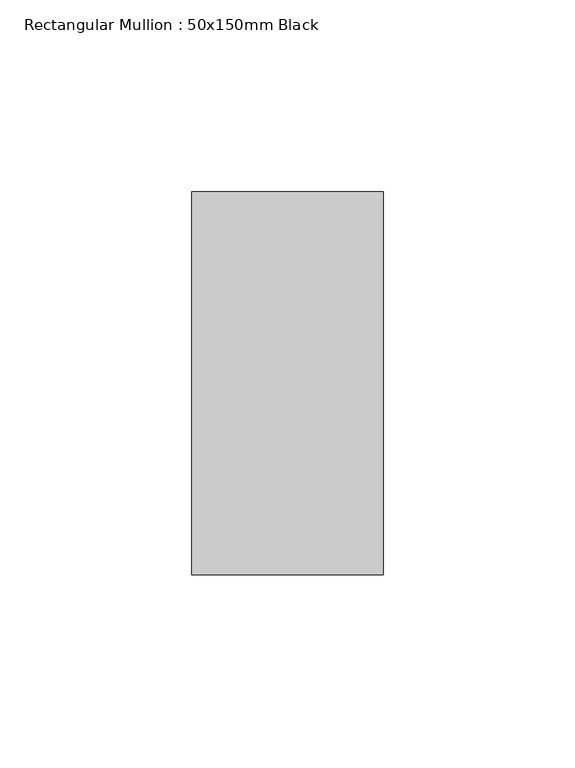
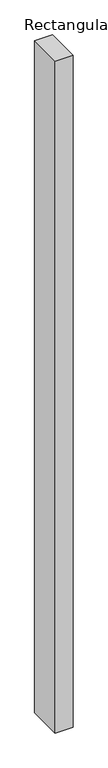
"""IFC4 building model written with IfcOpenShell, lengths in millimetres: member geometry, Rectangular Mullion : 50x150mm Black."""

from ifc_helpers import new_model, si_unit, frame, origin, place, context, project, spatial, polyline, outline, extrude, source, transform, mapped, element, save


def rectangular_mullion_50x150mm_black_b5444487(model_context):
    return source(origin(), model_context, "Body", "SweptSolid", [
        extrude(outline(polyline([(25.0, 50.0), (25.0, -50.0), (-25.0, -50.0), (-25.0, 50.0), (25.0, 50.0)])), frame((0.0, 0.0, -2000.0), z_axis=(0.0, 0.0, 1.0), x_axis=(1.0, 0.0, 0.0)), (0.0, 0.0, 1.0), 2000.0),
    ])


if __name__ == "__main__":
    model = new_model("IFC4")
    model_context = context("Model", 3, world=origin())
    ifc_project = project(units=[si_unit("LENGTHUNIT", "METRE", prefix="MILLI")], contexts=[model_context])
    site = spatial("IfcSite", under=ifc_project)
    building = spatial("IfcBuilding", under=site)
    placement = place(None, origin())
    rectangular_mullion_50x150mm_black_shape = rectangular_mullion_50x150mm_black_b5444487(model_context)
    element("IfcMember", 1, ObjectType="Rectangular Mullion : 50x150mm Black", at=placement, inside=building, context=model_context, shape_type="MappedRepresentation", body=[
        mapped(rectangular_mullion_50x150mm_black_shape, transform((0.0, 0.0, 0.0), x_axis=(1.0, 0.0, 0.0), y_axis=(0.0, 1.0, 0.0), z_axis=(0.0, 0.0, 1.0))),
    ])
    save(model, "model.ifc")
